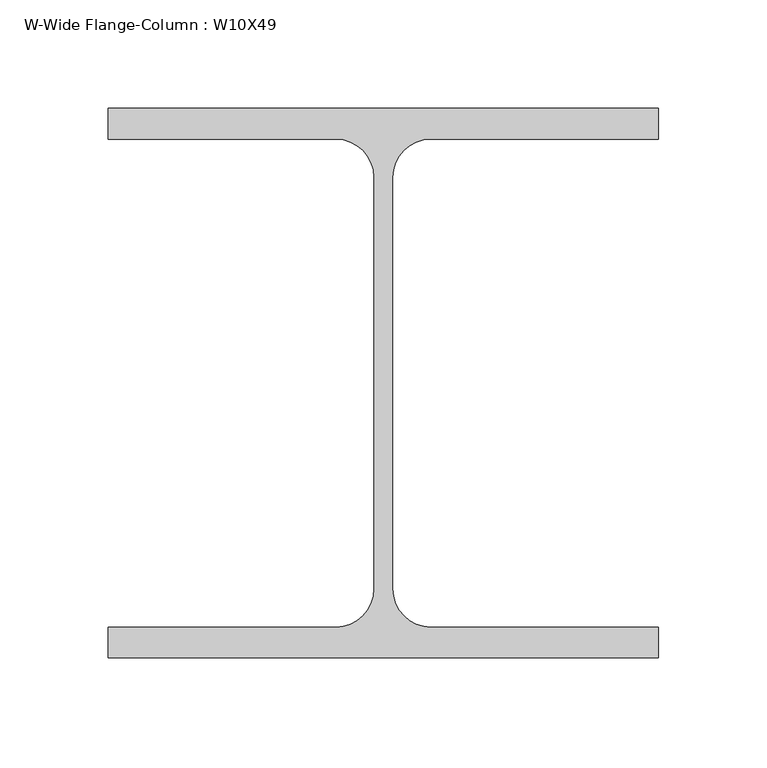
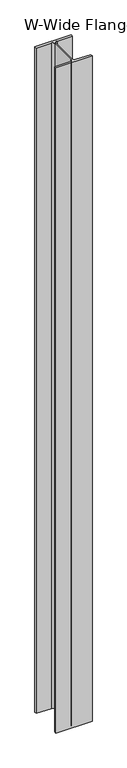
"""IFC4 building model written with IfcOpenShell, lengths in millimetres: column geometry, W-Wide Flange-Column : W10X49."""

from ifc_helpers import new_model, si_unit, point, frame_2d, origin, origin_with_axes, place, context, project, spatial, polyline, circle_curve, trimmed, segment, composite_curve, outline, extrude, source, transform, mapped, element, save


def w_wide_flange_column_w10x49_599268d2(model_context):
    return source(origin(), model_context, "Body", "SweptSolid", [
        extrude(outline(composite_curve([segment(polyline([(127.0, 126.7519531), (127.0, 112.5636719), (21.8777344, 112.5636719)]), True, "CONTINUOUS"), segment(trimmed(circle_curve(frame_2d((21.8777344, 95.0019531)), 17.5617188), [point((21.8777344, 112.5636719))], [point((4.3160156, 95.0019531))], True, "CARTESIAN"), True, "CONTINUOUS"), segment(polyline([(4.3160156, 95.0019531), (4.3160156, -95.0019531)]), True, "CONTINUOUS"), segment(trimmed(circle_curve(frame_2d((21.8777344, -95.0019531)), 17.5617187), [point((4.3160156, -95.0019531))], [point((21.8777344, -112.5636719))], True, "CARTESIAN"), True, "CONTINUOUS"), segment(polyline([(21.8777344, -112.5636719), (127.0, -112.5636719), (127.0, -126.7519531), (-127.0, -126.7519531), (-127.0, -112.5636719), (-21.8777344, -112.5636719)]), True, "CONTINUOUS"), segment(trimmed(circle_curve(frame_2d((-21.8777344, -95.0019531)), 17.5617187), [point((-21.8777344, -112.5636719))], [point((-4.3160156, -95.0019531))], True, "CARTESIAN"), True, "CONTINUOUS"), segment(polyline([(-4.3160156, -95.0019531), (-4.3160156, 95.0019531)]), True, "CONTINUOUS"), segment(trimmed(circle_curve(frame_2d((-21.8777344, 95.0019531)), 17.5617188), [point((-4.3160156, 95.0019531))], [point((-21.8777344, 112.5636719))], True, "CARTESIAN"), True, "CONTINUOUS"), segment(polyline([(-21.8777344, 112.5636719), (-127.0, 112.5636719), (-127.0, 126.7519531), (127.0, 126.7519531)]), True, "CONTINUOUS")], self_intersect=False)), origin_with_axes(), (0.0, 0.0, 1.0), 4927.6),
    ])


if __name__ == "__main__":
    model = new_model("IFC4")
    model_context = context("Model", 3, world=origin())
    ifc_project = project(units=[si_unit("LENGTHUNIT", "METRE", prefix="MILLI")], contexts=[model_context])
    site = spatial("IfcSite", under=ifc_project)
    building = spatial("IfcBuilding", under=site)
    placement = place(None, origin())
    w_wide_flange_column_w10x49_shape = w_wide_flange_column_w10x49_599268d2(model_context)
    element("IfcColumn", 1, ObjectType="W-Wide Flange-Column : W10X49", at=placement, inside=building, context=model_context, shape_type="MappedRepresentation", body=[
        mapped(w_wide_flange_column_w10x49_shape, transform((0.0, 0.0, 0.0), x_axis=(1.0, 0.0, 0.0), y_axis=(0.0, 1.0, 0.0), z_axis=(0.0, 0.0, 1.0))),
    ])
    save(model, "model.ifc")
